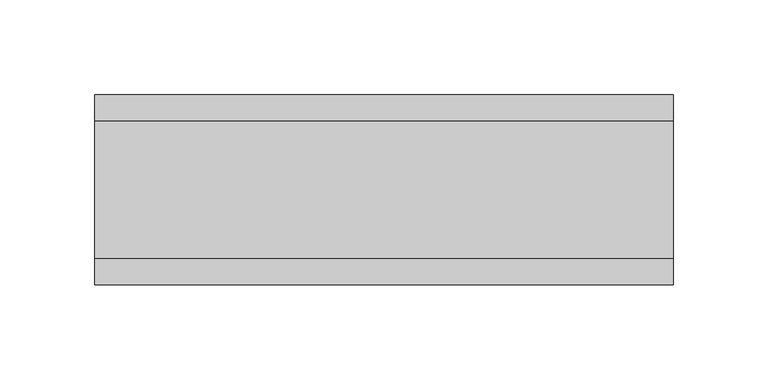
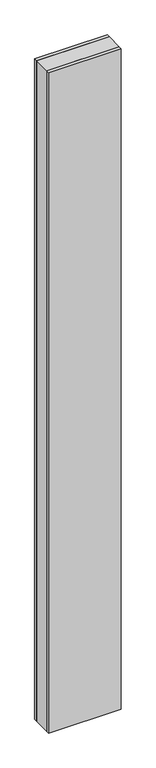
"""IFC4 building model written with IfcOpenShell, lengths in millimetres: plate geometry."""

import ifcopenshell
import ifcopenshell.guid

model = None  # the IFC model being written
_history = None  # IfcOwnerHistory: only IFC2X3 demands one
_inside = {}  # id of a spatial element -> (the spatial element, [elements in it])
_under = {}  # id of a project, library or spatial element -> (it, [spatial elements below it])
_declared = {}  # id of a project -> (the project, [libraries it declares])
_typed = {}  # id of a type object -> (the type object, [elements of that type])
_made_of = {}  # id of a material, layer set ... -> (it, [elements and type objects made of it])


def new_model(schema):
    """Start an empty IFC model of exactly this schema.

    Asked for "IFC4X3", IfcOpenShell would pick the latest addendum, in which some entities
    have other attributes; the version numbers below select the first issue.
    IFC2X3 requires an IfcOwnerHistory on every rooted entity: one is made here for all.
    """
    global model, _history
    if schema == "IFC4X3":
        model = ifcopenshell.file(schema_version=(4, 3, 0, 0))
    else:
        model = ifcopenshell.file(schema=schema)
    _inside.clear()
    _under.clear()
    _declared.clear()
    _typed.clear()
    _made_of.clear()
    _history = None
    if model.schema == "IFC2X3":
        org = make("IfcOrganization", Name="unknown")
        user = make(
            "IfcPersonAndOrganization",
            ThePerson=make("IfcPerson", FamilyName="unknown"),
            TheOrganization=org,
        )
        app = make(
            "IfcApplication",
            ApplicationDeveloper=org,
            Version="unknown",
            ApplicationFullName="unknown",
            ApplicationIdentifier="unknown",
        )
        _history = make(
            "IfcOwnerHistory",
            OwningUser=user,
            OwningApplication=app,
            ChangeAction="ADDED",
            CreationDate=0,
        )
    return model


def make(cls, **values):
    """One entity of the class cls with the attributes given. An attribute that is None is left unset."""
    return model.create_entity(
        cls, **{name: value for name, value in values.items() if value is not None}
    )


def rooted(cls, **values):
    """An entity with a GlobalId (a new one), such as an element, a storey or a relation."""
    return make(cls, GlobalId=ifcopenshell.guid.new(), OwnerHistory=_history, **values)


def si_unit(unit_type, name, prefix=None):
    """IfcSIUnit, for example si_unit("LENGTHUNIT", "METRE", prefix="MILLI")."""
    return make("IfcSIUnit", UnitType=unit_type, Prefix=prefix, Name=name)


def assignment(units):
    """IfcUnitAssignment: the units of a project."""
    return None if units is None else make("IfcUnitAssignment", Units=units)


def point(xyz):
    """IfcCartesianPoint."""
    return None if xyz is None else make("IfcCartesianPoint", Coordinates=xyz)


def direction(xyz):
    """IfcDirection."""
    return None if xyz is None else make("IfcDirection", DirectionRatios=xyz)


def frame(location, z_axis=None, x_axis=None):
    """IfcAxis2Placement3D, a coordinate frame: its origin and axes. An axis left out is left unset."""
    return make(
        "IfcAxis2Placement3D",
        Location=point(location),
        Axis=direction(z_axis),
        RefDirection=direction(x_axis),
    )


def origin():
    """The frame at (0, 0, 0) with its axes left unset."""
    return frame((0.0, 0.0, 0.0))


def origin_with_axes():
    """The frame at (0, 0, 0) with the z axis (0, 0, 1) and the x axis (1, 0, 0) written out."""
    return frame((0.0, 0.0, 0.0), z_axis=(0.0, 0.0, 1.0), x_axis=(1.0, 0.0, 0.0))


def place(relative_to, where):
    """IfcLocalPlacement: puts the frame where relative to a parent placement (None: the world)."""
    return make(
        "IfcLocalPlacement", PlacementRelTo=relative_to, RelativePlacement=where
    )


def context(
    kind, dimensions, precision=None, world=None, true_north=None, identifier=None
):
    """IfcGeometricRepresentationContext, for example the 3D "Model" context."""
    return make(
        "IfcGeometricRepresentationContext",
        ContextIdentifier=identifier,
        ContextType=kind,
        CoordinateSpaceDimension=dimensions,
        Precision=precision,
        WorldCoordinateSystem=world,
        TrueNorth=true_north,
    )


def project(units=None, contexts=None):
    """IfcProject with its units and contexts."""
    return rooted(
        "IfcProject",
        Name="project",
        RepresentationContexts=contexts,
        UnitsInContext=assignment(units),
    )


def spatial(cls, under=None, at=None, **own):
    """A site, building, storey or space (cls), placed at a placement, below another one or the project."""
    s = rooted(cls, ObjectPlacement=at, **own)
    if under is not None:
        _under.setdefault(under.id(), (under, []))[1].append(s)
    return s


def polyline(points):
    """IfcPolyline through the points."""
    return make("IfcPolyline", Points=[point(p) for p in points])


def outline(outer, holes=None, kind="AREA"):
    """IfcArbitraryClosedProfileDef: a profile drawn as a closed curve; with holes, ...WithVoids."""
    if holes is None:
        return make("IfcArbitraryClosedProfileDef", ProfileType=kind, OuterCurve=outer)
    return make(
        "IfcArbitraryProfileDefWithVoids",
        ProfileType=kind,
        OuterCurve=outer,
        InnerCurves=holes,
    )


def extrude(swept, where, along, depth):
    """IfcExtrudedAreaSolid: the profile swept, set in the frame where, extruded along a direction by depth."""
    return make(
        "IfcExtrudedAreaSolid",
        SweptArea=swept,
        Position=where,
        ExtrudedDirection=direction(along),
        Depth=depth,
    )


def shape(context_of_items, identifier, shape_type, items):
    """IfcShapeRepresentation: the items that make up one representation, for example the "Body"."""
    return make(
        "IfcShapeRepresentation",
        ContextOfItems=context_of_items,
        RepresentationIdentifier=identifier,
        RepresentationType=shape_type,
        Items=items,
    )


def source(mapping_origin, context_of_items, identifier, shape_type, items):
    """IfcRepresentationMap: a shape defined once, which mapped items show again and again."""
    return make(
        "IfcRepresentationMap",
        MappingOrigin=mapping_origin,
        MappedRepresentation=shape(context_of_items, identifier, shape_type, items),
    )


def transform(
    local_origin,
    x_axis=None,
    y_axis=None,
    z_axis=None,
    scale=None,
    scale2=None,
    scale3=None,
    uniform=True,
):
    """IfcCartesianTransformationOperator3D, or its non-uniform kind. x_axis, y_axis, z_axis: its Axis1, 2, 3."""
    if uniform:
        return make(
            "IfcCartesianTransformationOperator3D",
            Axis1=direction(x_axis),
            Axis2=direction(y_axis),
            LocalOrigin=point(local_origin),
            Scale=scale,
            Axis3=direction(z_axis),
        )
    return make(
        "IfcCartesianTransformationOperator3DnonUniform",
        Axis1=direction(x_axis),
        Axis2=direction(y_axis),
        LocalOrigin=point(local_origin),
        Scale=scale,
        Axis3=direction(z_axis),
        Scale2=scale2,
        Scale3=scale3,
    )


def mapped(mapping_source, mapping_target):
    """IfcMappedItem: shows the shape of a source again, moved by a transform."""
    return make(
        "IfcMappedItem", MappingSource=mapping_source, MappingTarget=mapping_target
    )


def made_of(thing, what):
    """Note that an element or type object is made of a material, layer set ...; save() writes the relation."""
    if what is not None:
        _made_of.setdefault(what.id(), (what, []))[1].append(thing)
    return thing


def element(
    cls,
    number,
    at=None,
    inside=None,
    cuts=None,
    type_object=None,
    material=None,
    context=None,
    identifier="Body",
    shape_type=None,
    held_by="IfcProductDefinitionShape",
    body=None,
    shapes=None,
    **own,
):
    """One element of the class cls, such as IfcWall. Its Tag is "e" and its number.

    at: its placement. inside: the storey or other place that contains it. cuts: it is an
    opening in that element (IfcRelVoidsElement). A single representation is given by context,
    identifier, shape_type and body (its items); several are given by shapes. held_by: the class
    of the entity that holds the representations. save() writes the other relations.
    """
    e = rooted(cls, Tag="e%d" % number, ObjectPlacement=at, **own)
    if body is not None:
        shapes = [shape(context, identifier, shape_type, body)]
    if shapes is not None:
        e.Representation = make(held_by, Representations=shapes)
    if inside is not None:
        _inside.setdefault(inside.id(), (inside, []))[1].append(e)
    if cuts is not None:
        rooted(
            "IfcRelVoidsElement", RelatingBuildingElement=cuts, RelatedOpeningElement=e
        )
    if type_object is not None:
        _typed.setdefault(type_object.id(), (type_object, []))[1].append(e)
    return made_of(e, material)


def aggregate(whole, parts):
    """IfcRelAggregates: a whole, such as a stair, and the parts it consists of."""
    return rooted("IfcRelAggregates", RelatingObject=whole, RelatedObjects=parts)


def save(model, path):
    """Write the relations noted so far, then the file.

    IfcRelAggregates (storeys below a building ...), IfcRelContainedInSpatialStructure (elements
    in a storey), IfcRelDefinesByType, IfcRelAssociatesMaterial and IfcRelDeclares: one each for
    every whole, place, type object, material and project.
    """
    for whole, parts in _under.values():
        aggregate(whole, parts)
    for where, things in _inside.values():
        rooted(
            "IfcRelContainedInSpatialStructure",
            RelatedElements=things,
            RelatingStructure=where,
        )
    for kind, things in _typed.values():
        rooted("IfcRelDefinesByType", RelatedObjects=things, RelatingType=kind)
    for what, things in _made_of.values():
        rooted("IfcRelAssociatesMaterial", RelatedObjects=things, RelatingMaterial=what)
    for by, libraries in _declared.values():
        rooted("IfcRelDeclares", RelatingContext=by, RelatedDefinitions=libraries)
    model.write(path)


def plate_561839bf(model_context):
    return source(origin(), model_context, "Body", "SweptSolid", [
        extrude(outline(polyline([(152.2777546, 36.0), (152.2777546, -36.0), (-152.2777546, -36.0), (-152.2777546, 36.0), (152.2777546, 36.0)])), origin_with_axes(), (0.0, 0.0, 1.0), 2925.7),
        extrude(outline(polyline([(152.2777546, 50.0), (152.2777546, 36.0), (-152.2777546, 36.0), (-152.2777546, 50.0), (152.2777546, 50.0)])), origin_with_axes(), (0.0, 0.0, 1.0), 2925.7),
        extrude(outline(polyline([(152.2777546, -36.0), (152.2777546, -50.0), (-152.2777546, -50.0), (-152.2777546, -36.0), (152.2777546, -36.0)])), origin_with_axes(), (0.0, 0.0, 1.0), 2925.7),
    ])


if __name__ == "__main__":
    model = new_model("IFC4")
    model_context = context("Model", 3, world=origin())
    ifc_project = project(units=[si_unit("LENGTHUNIT", "METRE", prefix="MILLI")], contexts=[model_context])
    site = spatial("IfcSite", under=ifc_project)
    building = spatial("IfcBuilding", under=site)
    placement = place(None, origin())
    plate_shape = plate_561839bf(model_context)
    element("IfcPlate", 1, at=placement, inside=building, context=model_context, shape_type="MappedRepresentation", body=[
        mapped(plate_shape, transform((0.0, 0.0, 0.0), x_axis=(1.0, 0.0, 0.0), y_axis=(0.0, 1.0, 0.0), z_axis=(0.0, 0.0, 1.0))),
    ])
    save(model, "model.ifc")
